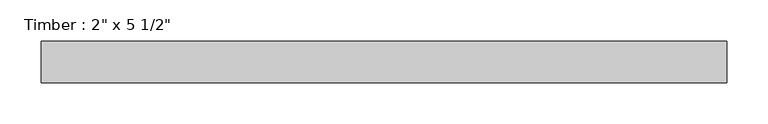
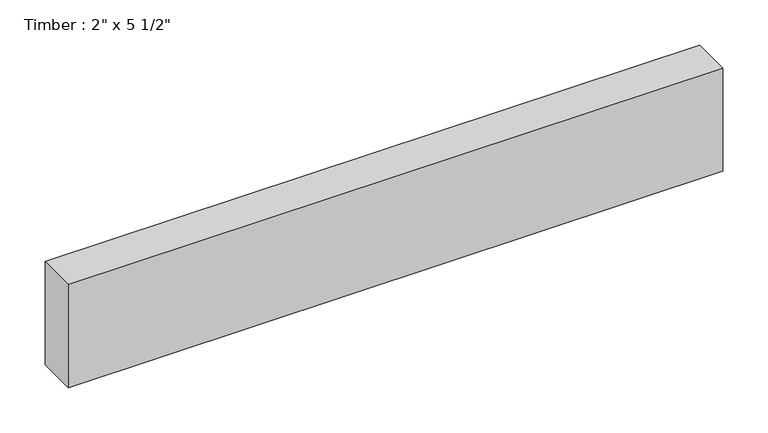
"""IFC4 building model written with IfcOpenShell, lengths in millimetres: beam geometry."""

from ifc_helpers import new_model, si_unit, frame, origin, place, context, project, spatial, polyline, outline, extrude, source, transform, mapped, element, save


def beam_3dcf93c0(model_context):
    return source(origin(), model_context, "Body", "SweptSolid", [
        extrude(outline(polyline([(421.8387354, 25.4), (421.8387354, -25.4), (-414.3955673, -25.4), (-414.3955673, 25.4), (421.8387354, 25.4)])), frame((0.0, 0.0, -69.85), z_axis=(0.0, 0.0, 1.0), x_axis=(1.0, 0.0, 0.0)), (0.0, 0.0, 1.0), 139.7),
    ])


if __name__ == "__main__":
    model = new_model("IFC4")
    model_context = context("Model", 3, world=origin())
    ifc_project = project(units=[si_unit("LENGTHUNIT", "METRE", prefix="MILLI")], contexts=[model_context])
    site = spatial("IfcSite", under=ifc_project)
    building = spatial("IfcBuilding", under=site)
    placement = place(None, origin())
    beam_shape = beam_3dcf93c0(model_context)
    element("IfcBeam", 1, ObjectType="Timber : 2\" x 5 1/2\"", at=placement, inside=building, context=model_context, shape_type="MappedRepresentation", body=[
        mapped(beam_shape, transform((0.0, 0.0, 0.0), x_axis=(1.0, 0.0, 0.0), y_axis=(0.0, 1.0, 0.0), z_axis=(0.0, 0.0, 1.0))),
    ])
    save(model, "model.ifc")
